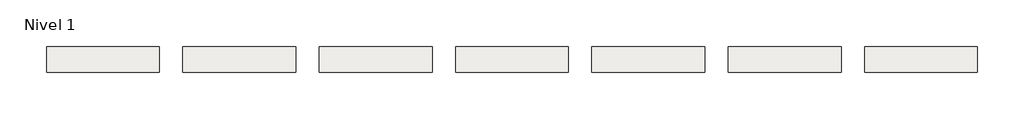
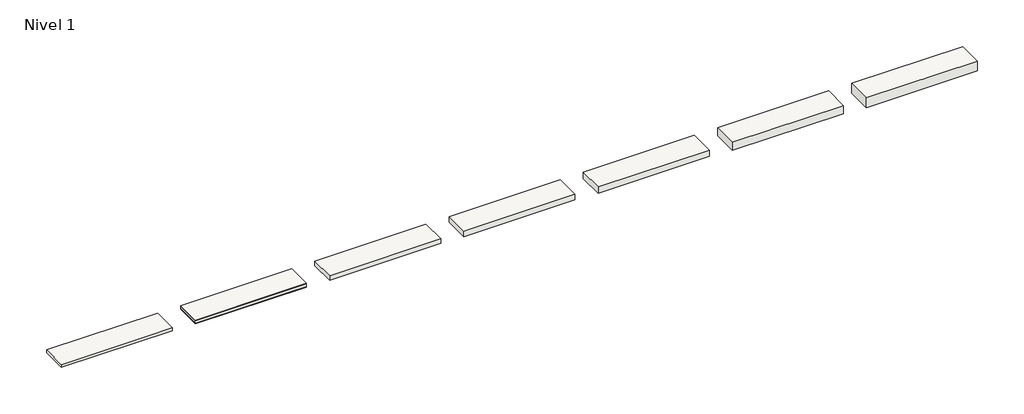
# One storey: 7 slabs.
"""IFC4 building model written with IfcOpenShell, lengths in millimetres."""

import ifcopenshell
import ifcopenshell.guid

model = None  # the IFC model being written
_history = None  # IfcOwnerHistory: only IFC2X3 demands one
_inside = {}  # id of a spatial element -> (the spatial element, [elements in it])
_under = {}  # id of a project, library or spatial element -> (it, [spatial elements below it])
_declared = {}  # id of a project -> (the project, [libraries it declares])
_typed = {}  # id of a type object -> (the type object, [elements of that type])
_made_of = {}  # id of a material, layer set ... -> (it, [elements and type objects made of it])


def new_model(schema):
    """Start an empty IFC model of exactly this schema.

    Asked for "IFC4X3", IfcOpenShell would pick the latest addendum, in which some entities
    have other attributes; the version numbers below select the first issue.
    IFC2X3 requires an IfcOwnerHistory on every rooted entity: one is made here for all.
    """
    global model, _history
    if schema == "IFC4X3":
        model = ifcopenshell.file(schema_version=(4, 3, 0, 0))
    else:
        model = ifcopenshell.file(schema=schema)
    _inside.clear()
    _under.clear()
    _declared.clear()
    _typed.clear()
    _made_of.clear()
    _history = None
    if model.schema == "IFC2X3":
        org = make("IfcOrganization", Name="unknown")
        user = make(
            "IfcPersonAndOrganization",
            ThePerson=make("IfcPerson", FamilyName="unknown"),
            TheOrganization=org,
        )
        app = make(
            "IfcApplication",
            ApplicationDeveloper=org,
            Version="unknown",
            ApplicationFullName="unknown",
            ApplicationIdentifier="unknown",
        )
        _history = make(
            "IfcOwnerHistory",
            OwningUser=user,
            OwningApplication=app,
            ChangeAction="ADDED",
            CreationDate=0,
        )
    return model


def make(cls, **values):
    """One entity of the class cls with the attributes given. An attribute that is None is left unset."""
    return model.create_entity(
        cls, **{name: value for name, value in values.items() if value is not None}
    )


def rooted(cls, **values):
    """An entity with a GlobalId (a new one), such as an element, a storey or a relation."""
    return make(cls, GlobalId=ifcopenshell.guid.new(), OwnerHistory=_history, **values)


def si_unit(unit_type, name, prefix=None):
    """IfcSIUnit, for example si_unit("LENGTHUNIT", "METRE", prefix="MILLI")."""
    return make("IfcSIUnit", UnitType=unit_type, Prefix=prefix, Name=name)


def assignment(units):
    """IfcUnitAssignment: the units of a project."""
    return None if units is None else make("IfcUnitAssignment", Units=units)


def point(xyz):
    """IfcCartesianPoint."""
    return None if xyz is None else make("IfcCartesianPoint", Coordinates=xyz)


def direction(xyz):
    """IfcDirection."""
    return None if xyz is None else make("IfcDirection", DirectionRatios=xyz)


def frame(location, z_axis=None, x_axis=None):
    """IfcAxis2Placement3D, a coordinate frame: its origin and axes. An axis left out is left unset."""
    return make(
        "IfcAxis2Placement3D",
        Location=point(location),
        Axis=direction(z_axis),
        RefDirection=direction(x_axis),
    )


def origin():
    """The frame at (0, 0, 0) with its axes left unset."""
    return frame((0.0, 0.0, 0.0))


def place(relative_to, where):
    """IfcLocalPlacement: puts the frame where relative to a parent placement (None: the world)."""
    return make(
        "IfcLocalPlacement", PlacementRelTo=relative_to, RelativePlacement=where
    )


def context(
    kind, dimensions, precision=None, world=None, true_north=None, identifier=None
):
    """IfcGeometricRepresentationContext, for example the 3D "Model" context."""
    return make(
        "IfcGeometricRepresentationContext",
        ContextIdentifier=identifier,
        ContextType=kind,
        CoordinateSpaceDimension=dimensions,
        Precision=precision,
        WorldCoordinateSystem=world,
        TrueNorth=true_north,
    )


def project(units=None, contexts=None):
    """IfcProject with its units and contexts."""
    return rooted(
        "IfcProject",
        Name="project",
        RepresentationContexts=contexts,
        UnitsInContext=assignment(units),
    )


def spatial(cls, under=None, at=None, **own):
    """A site, building, storey or space (cls), placed at a placement, below another one or the project."""
    s = rooted(cls, ObjectPlacement=at, **own)
    if under is not None:
        _under.setdefault(under.id(), (under, []))[1].append(s)
    return s


def polyline(points):
    """IfcPolyline through the points."""
    return make("IfcPolyline", Points=[point(p) for p in points])


def outline(outer, holes=None, kind="AREA"):
    """IfcArbitraryClosedProfileDef: a profile drawn as a closed curve; with holes, ...WithVoids."""
    if holes is None:
        return make("IfcArbitraryClosedProfileDef", ProfileType=kind, OuterCurve=outer)
    return make(
        "IfcArbitraryProfileDefWithVoids",
        ProfileType=kind,
        OuterCurve=outer,
        InnerCurves=holes,
    )


def extrude(swept, where, along, depth):
    """IfcExtrudedAreaSolid: the profile swept, set in the frame where, extruded along a direction by depth."""
    return make(
        "IfcExtrudedAreaSolid",
        SweptArea=swept,
        Position=where,
        ExtrudedDirection=direction(along),
        Depth=depth,
    )


def shape(context_of_items, identifier, shape_type, items):
    """IfcShapeRepresentation: the items that make up one representation, for example the "Body"."""
    return make(
        "IfcShapeRepresentation",
        ContextOfItems=context_of_items,
        RepresentationIdentifier=identifier,
        RepresentationType=shape_type,
        Items=items,
    )


def made_of(thing, what):
    """Note that an element or type object is made of a material, layer set ...; save() writes the relation."""
    if what is not None:
        _made_of.setdefault(what.id(), (what, []))[1].append(thing)
    return thing


def element(
    cls,
    number,
    at=None,
    inside=None,
    cuts=None,
    type_object=None,
    material=None,
    context=None,
    identifier="Body",
    shape_type=None,
    held_by="IfcProductDefinitionShape",
    body=None,
    shapes=None,
    **own,
):
    """One element of the class cls, such as IfcWall. Its Tag is "e" and its number.

    at: its placement. inside: the storey or other place that contains it. cuts: it is an
    opening in that element (IfcRelVoidsElement). A single representation is given by context,
    identifier, shape_type and body (its items); several are given by shapes. held_by: the class
    of the entity that holds the representations. save() writes the other relations.
    """
    e = rooted(cls, Tag="e%d" % number, ObjectPlacement=at, **own)
    if body is not None:
        shapes = [shape(context, identifier, shape_type, body)]
    if shapes is not None:
        e.Representation = make(held_by, Representations=shapes)
    if inside is not None:
        _inside.setdefault(inside.id(), (inside, []))[1].append(e)
    if cuts is not None:
        rooted(
            "IfcRelVoidsElement", RelatingBuildingElement=cuts, RelatedOpeningElement=e
        )
    if type_object is not None:
        _typed.setdefault(type_object.id(), (type_object, []))[1].append(e)
    return made_of(e, material)


def aggregate(whole, parts):
    """IfcRelAggregates: a whole, such as a stair, and the parts it consists of."""
    return rooted("IfcRelAggregates", RelatingObject=whole, RelatedObjects=parts)


def save(model, path):
    """Write the relations noted so far, then the file.

    IfcRelAggregates (storeys below a building ...), IfcRelContainedInSpatialStructure (elements
    in a storey), IfcRelDefinesByType, IfcRelAssociatesMaterial and IfcRelDeclares: one each for
    every whole, place, type object, material and project.
    """
    for whole, parts in _under.values():
        aggregate(whole, parts)
    for where, things in _inside.values():
        rooted(
            "IfcRelContainedInSpatialStructure",
            RelatedElements=things,
            RelatingStructure=where,
        )
    for kind, things in _typed.values():
        rooted("IfcRelDefinesByType", RelatedObjects=things, RelatingType=kind)
    for what, things in _made_of.values():
        rooted("IfcRelAssociatesMaterial", RelatedObjects=things, RelatingMaterial=what)
    for by, libraries in _declared.values():
        rooted("IfcRelDeclares", RelatingContext=by, RelatedDefinitions=libraries)
    model.write(path)


model = new_model("IFC4")

# Units and contexts
model_context = context("Model", 3, world=origin())
ifc_project = project(units=[si_unit("LENGTHUNIT", "METRE", prefix="MILLI")], contexts=[model_context])

# Site, building, storey
site = spatial("IfcSite", under=ifc_project)
building = spatial("IfcBuilding", under=site)
storey = spatial("IfcBuildingStorey", under=building, Name="Nivel 1", Elevation=0.0)

# Slabs
placement = place(None, origin())
element("IfcSlab", 1, at=placement, inside=storey, context=model_context, shape_type="SweptSolid", body=[
    extrude(outline(polyline([(1484.4345966, -911.6608764), (1484.4345966, -1461.6608764), (-915.5654034, -1461.6608764), (-915.5654034, -911.6608764), (1484.4345966, -911.6608764)])), frame((0.0, 0.0, -12.5), z_axis=(0.0, 0.0, 1.0), x_axis=(1.0, 0.0, 0.0)), (0.0, 0.0, 1.0), 12.5),
    extrude(outline(polyline([(1484.4345966, -911.6608764), (1484.4345966, -1461.6608764), (-915.5654034, -1461.6608764), (-915.5654034, -911.6608764), (1484.4345966, -911.6608764)])), frame((0.0, 0.0, -72.5), z_axis=(0.0, 0.0, 1.0), x_axis=(1.0, 0.0, 0.0)), (0.0, 0.0, 1.0), 60.0),
    extrude(outline(polyline([(1484.4345966, -911.6608764), (1484.4345966, -1461.6608764), (-915.5654034, -1461.6608764), (-915.5654034, -911.6608764), (1484.4345966, -911.6608764)])), frame((0.0, 0.0, -85.0), z_axis=(0.0, 0.0, 1.0), x_axis=(1.0, 0.0, 0.0)), (0.0, 0.0, 1.0), 12.5),
])
element("IfcSlab", 2, at=placement, inside=storey, context=model_context, shape_type="SweptSolid", body=[
    extrude(outline(polyline([(4384.4345966, -911.6608764), (4384.4345966, -1461.6608764), (1984.4345966, -1461.6608764), (1984.4345966, -911.6608764), (4384.4345966, -911.6608764)])), frame((0.0, 0.0, -105.0), z_axis=(0.0, 0.0, 1.0), x_axis=(1.0, 0.0, 0.0)), (0.0, 0.0, 1.0), 105.0),
])
element("IfcSlab", 3, at=placement, inside=storey, context=model_context, shape_type="SweptSolid", body=[
    extrude(outline(polyline([(7284.4345966, -911.6608764), (7284.4345966, -1461.6608764), (4884.4345966, -1461.6608764), (4884.4345966, -911.6608764), (7284.4345966, -911.6608764)])), frame((0.0, 0.0, -125.0), z_axis=(0.0, 0.0, 1.0), x_axis=(1.0, 0.0, 0.0)), (0.0, 0.0, 1.0), 125.0),
])
element("IfcSlab", 4, at=placement, inside=storey, context=model_context, shape_type="SweptSolid", body=[
    extrude(outline(polyline([(10184.4345966, -911.6608764), (10184.4345966, -1461.6608764), (7784.4345966, -1461.6608764), (7784.4345966, -911.6608764), (10184.4345966, -911.6608764)])), frame((0.0, 0.0, -145.0), z_axis=(0.0, 0.0, 1.0), x_axis=(1.0, 0.0, 0.0)), (0.0, 0.0, 1.0), 145.0),
])
element("IfcSlab", 5, at=placement, inside=storey, context=model_context, shape_type="SweptSolid", body=[
    extrude(outline(polyline([(13084.4345966, -911.6608764), (13084.4345966, -1461.6608764), (10684.4345966, -1461.6608764), (10684.4345966, -911.6608764), (13084.4345966, -911.6608764)])), frame((0.0, 0.0, -185.0), z_axis=(0.0, 0.0, 1.0), x_axis=(1.0, 0.0, 0.0)), (0.0, 0.0, 1.0), 185.0),
])
element("IfcSlab", 6, at=placement, inside=storey, context=model_context, shape_type="SweptSolid", body=[
    extrude(outline(polyline([(15984.4345966, -911.6608764), (15984.4345966, -1461.6608764), (13584.4345966, -1461.6608764), (13584.4345966, -911.6608764), (15984.4345966, -911.6608764)])), frame((0.0, 0.0, -225.0), z_axis=(0.0, 0.0, 1.0), x_axis=(1.0, 0.0, 0.0)), (0.0, 0.0, 1.0), 225.0),
])
element("IfcSlab", 7, at=placement, inside=storey, context=model_context, shape_type="SweptSolid", body=[
    extrude(outline(polyline([(-1415.5654034, -911.6608764), (-1415.5654034, -1461.6608764), (-3815.5654034, -1461.6608764), (-3815.5654034, -911.6608764), (-1415.5654034, -911.6608764)])), frame((0.0, 0.0, -65.0), z_axis=(0.0, 0.0, 1.0), x_axis=(1.0, 0.0, 0.0)), (0.0, 0.0, 1.0), 65.0),
])

save(model, "model.ifc")
